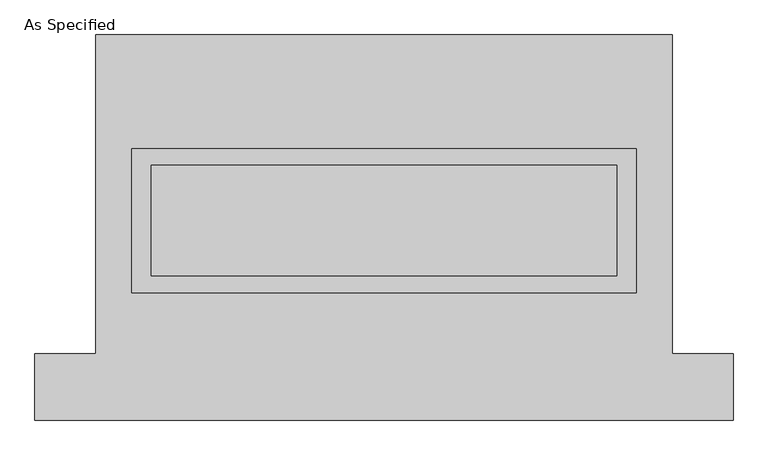
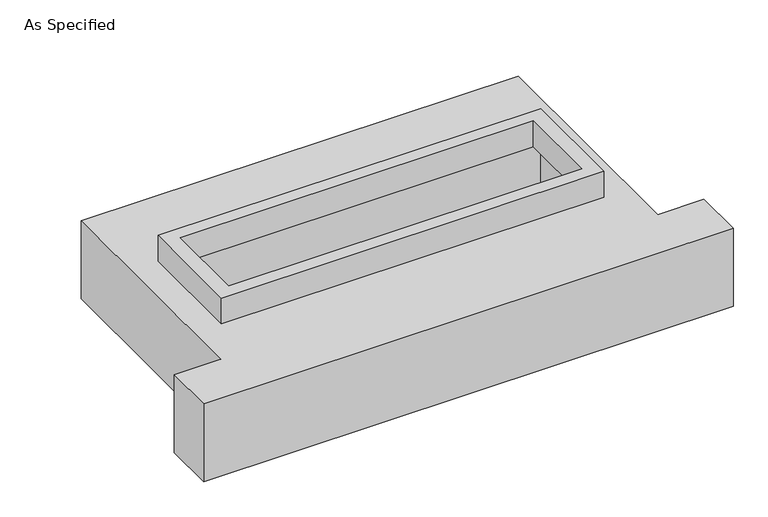
"""IFC4 building model written with IfcOpenShell, lengths in millimetres: proxy geometry, As Specified."""

from ifc_helpers import new_model, si_unit, frame, origin, place, context, project, spatial, polyline, outline, extrude, faceted_brep, source, transform, mapped, element, save


def as_specified_c0a69d31(model_context):
    return source(origin(), model_context, "Body", "SolidModel", [
        extrude(outline(polyline([(1155.7, 361.95), (1155.7, -298.45), (-1155.7, -298.45), (-1155.7, 361.95), (1155.7, 361.95)]), holes=[polyline([(1066.8, 285.75), (-1066.8, 285.75), (-1066.8, -222.25), (1066.8, -222.25), (1066.8, 285.75)])]), frame((0.0, 0.0, -25.4), z_axis=(0.0, 0.0, 1.0), x_axis=(1.0, 0.0, 0.0)), (0.0, 0.0, 1.0), 165.1),
        faceted_brep([(-1320.8, 882.65, -523.875), (1320.8, 882.65, -523.875), (1320.8, -577.85, -523.875), (1600.2, -577.85, -523.875), (1600.2, -882.65, -523.875), (-1600.2, -882.65, -523.875), (-1600.2, -577.85, -523.875), (-1320.8, -577.85, -523.875), (1320.8, 882.65, -25.4), (-1320.8, 882.65, -25.4), (-1320.8, -577.85, -25.4), (-1600.2, -577.85, -25.4), (-1600.2, -882.65, -25.4), (1600.2, -882.65, -25.4), (1600.2, -577.85, -25.4), (1320.8, -577.85, -25.4), (-1155.7, -298.45, -25.4), (-1155.7, 361.95, -25.4), (1155.7, 361.95, -25.4), (1155.7, -298.45, -25.4), (1155.7, 361.95, -498.475), (-1155.7, 361.95, -498.475), (-1155.7, -298.45, -498.475), (1155.7, -298.45, -498.475)], [[[0, 1, 2, 3, 4, 5, 6, 7]], [[8, 9, 10, 11, 12, 13, 14, 15], [16, 17, 18, 19]], [[1, 0, 9, 8]], [[9, 0, 7, 10]], [[1, 8, 15, 2]], [[20, 21, 22, 23]], [[22, 21, 17, 16]], [[21, 20, 18, 17]], [[20, 23, 19, 18]], [[23, 22, 16, 19]], [[5, 4, 13, 12]], [[3, 2, 15, 14]], [[4, 3, 14, 13]], [[7, 6, 11, 10]], [[6, 5, 12, 11]]]),
    ])


if __name__ == "__main__":
    model = new_model("IFC4")
    model_context = context("Model", 3, world=origin())
    ifc_project = project(units=[si_unit("LENGTHUNIT", "METRE", prefix="MILLI")], contexts=[model_context])
    site = spatial("IfcSite", under=ifc_project)
    building = spatial("IfcBuilding", under=site)
    placement = place(None, origin())
    as_specified_shape = as_specified_c0a69d31(model_context)
    element("IfcBuildingElementProxy", 1, Name="As Specified", ObjectType="As Specified", at=placement, inside=building, context=model_context, shape_type="MappedRepresentation", body=[
        mapped(as_specified_shape, transform((0.0, 0.0, 0.0), x_axis=(1.0, 0.0, 0.0), y_axis=(0.0, 1.0, 0.0), z_axis=(0.0, 0.0, 1.0))),
    ])
    save(model, "model.ifc")
